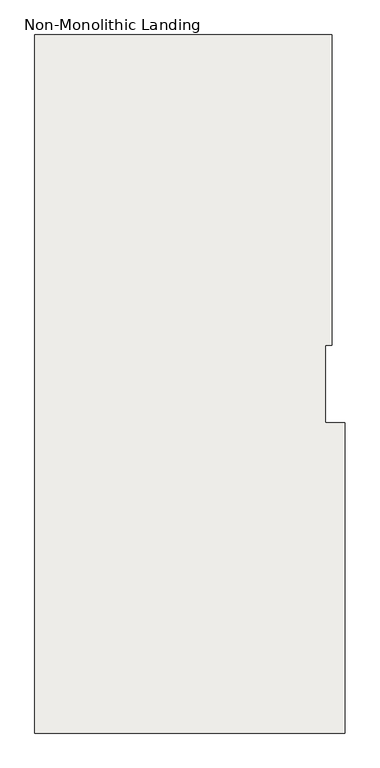
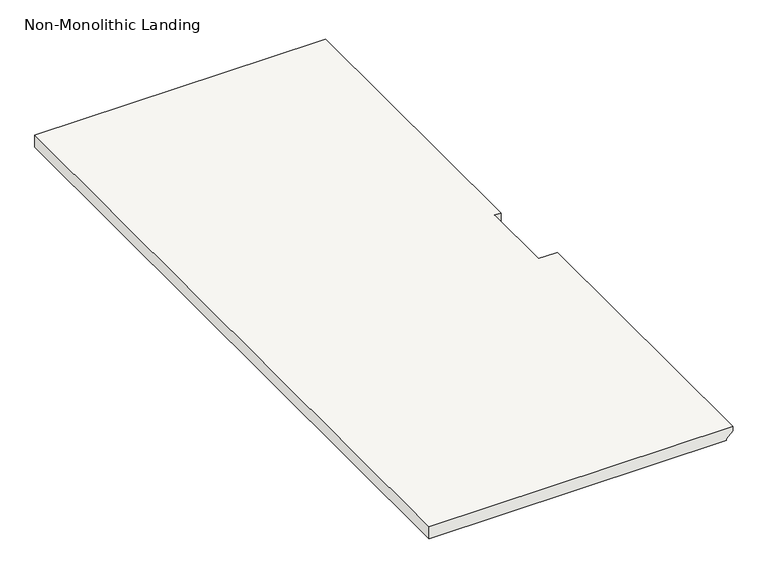
"""IFC4 building model written with IfcOpenShell, lengths in millimetres: slab geometry, Non-Monolithic Landing."""

from ifc_helpers import new_model, si_unit, origin, place, context, project, spatial, faceted_brep, source, transform, mapped, element, save


def non_monolithic_landing_8acc424b(model_context):
    return source(origin(), model_context, "Body", "Brep", [
        faceted_brep([(5877.3980401, -14912.0995493, -9783.8012195), (5877.3980401, -14912.0995493, -9764.7512195), (5877.3980401, -16131.2995493, -9764.7512195), (5877.3980401, -16131.2995493, -9783.8012195), (5851.9980401, -14912.0995493, -9809.2012195), (5851.9980401, -16131.2995493, -9809.2012195), (5801.1980401, -14912.0995493, -9764.7512195), (5801.1980401, -14607.2995493, -9764.7512195), (5826.5980401, -14607.2995493, -9764.7512195), (5826.5980401, -13388.0995493, -9764.7512195), (5801.1980401, -13388.0995493, -9764.7512195), (4658.1980401, -13388.0995493, -9764.7512195), (4658.1980401, -16131.2995493, -9764.7512195), (5851.9980401, -14912.0995493, -9815.5512195), (5851.9980401, -16131.2995493, -9815.5512195), (4658.1980401, -16131.2995493, -9815.5512195), (4658.1980401, -13388.0995493, -9815.5512195), (5801.1980401, -13388.0995493, -9815.5512195), (5826.5980401, -13388.0995493, -9815.5512195), (5826.5980401, -14607.2995493, -9815.5512195), (5801.1980401, -14607.2995493, -9815.5512195), (5801.1980401, -14912.0995493, -9815.5512195)], [[[0, 1, 2, 3]], [[4, 0, 3, 5]], [[6, 7, 8, 9, 10, 11, 12, 2, 1]], [[13, 14, 15, 16, 17, 18, 19, 20, 21]], [[14, 13, 4, 5]], [[6, 1, 0, 4, 13, 21]], [[11, 10, 17, 16]], [[12, 11, 16, 15]], [[2, 12, 15, 14, 5, 3]], [[8, 7, 20, 19]], [[7, 6, 21, 20]], [[9, 8, 19, 18]], [[10, 9, 18, 17]]]),
    ])


if __name__ == "__main__":
    model = new_model("IFC4")
    model_context = context("Model", 3, world=origin())
    ifc_project = project(units=[si_unit("LENGTHUNIT", "METRE", prefix="MILLI")], contexts=[model_context])
    site = spatial("IfcSite", under=ifc_project)
    building = spatial("IfcBuilding", under=site)
    placement = place(None, origin())
    non_monolithic_landing_shape = non_monolithic_landing_8acc424b(model_context)
    element("IfcSlab", 1, ObjectType="Non-Monolithic Landing", at=placement, inside=building, context=model_context, shape_type="MappedRepresentation", body=[
        mapped(non_monolithic_landing_shape, transform((0.0, 0.0, 0.0), x_axis=(1.0, 0.0, 0.0), y_axis=(0.0, 1.0, 0.0), z_axis=(0.0, 0.0, 1.0))),
    ])
    save(model, "model.ifc")
